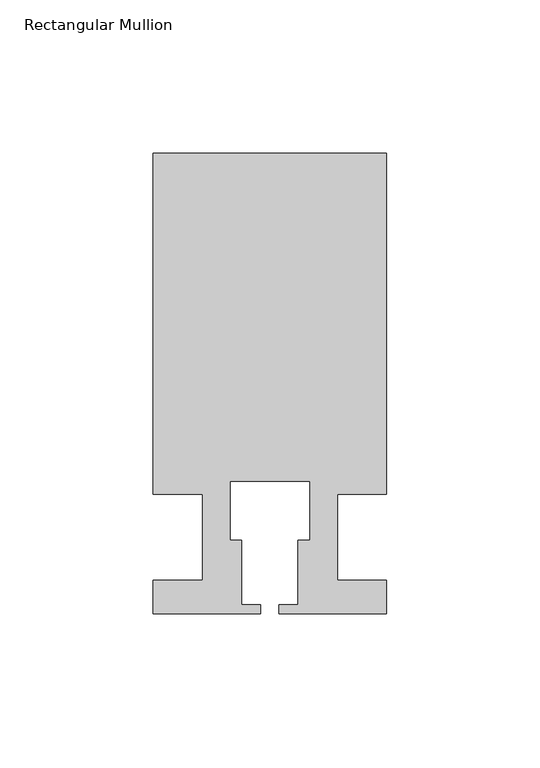
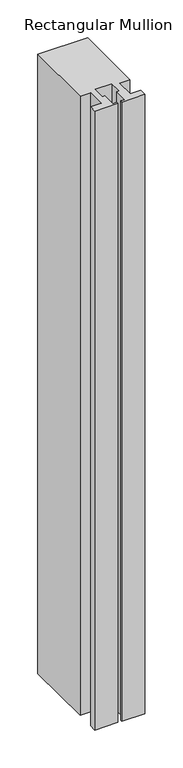
"""IFC4 building model written with IfcOpenShell, lengths in millimetres: member geometry, Rectangular Mullion."""

from ifc_helpers import new_model, si_unit, frame, origin, place, context, project, spatial, polyline, outline, extrude, source, transform, mapped, element, save


def rectangular_mullion_afc3f827(model_context):
    return source(origin(), model_context, "Body", "SweptSolid", [
        extrude(outline(polyline([(37.9999914, 124.9960123), (37.9999914, 13.9960123), (21.9999651, 13.9960123), (21.9999651, -14.0039877), (37.9999896, -14.0039877), (37.9999896, -25.0039877), (2.9999651, -25.0039877), (2.9999651, -22.0039877), (9.1999651, -22.0039877), (9.1999651, -1.0039877), (12.9999651, -1.0039877), (12.9999651, 18.1960075), (-12.9999633, 18.1960075), (-12.9999633, -1.0039877), (-9.1999633, -1.0039877), (-9.1999633, -22.0039877), (-2.9999896, -22.0039877), (-2.9999896, -25.0039877), (-37.9999896, -25.0039877), (-37.9999896, -14.0039877), (-21.9999633, -14.0039877), (-21.9999633, 13.9959029), (-37.9999896, 13.9959029), (-37.9999896, 124.9960123), (37.9999914, 124.9960123)])), frame((0.0, 0.0, -995.9865328), z_axis=(0.0, 0.0, 1.0), x_axis=(1.0, 0.0, 0.0)), (0.0, 0.0, 1.0), 995.9865328),
    ])


if __name__ == "__main__":
    model = new_model("IFC4")
    model_context = context("Model", 3, world=origin())
    ifc_project = project(units=[si_unit("LENGTHUNIT", "METRE", prefix="MILLI")], contexts=[model_context])
    site = spatial("IfcSite", under=ifc_project)
    building = spatial("IfcBuilding", under=site)
    placement = place(None, origin())
    rectangular_mullion_shape = rectangular_mullion_afc3f827(model_context)
    element("IfcMember", 1, ObjectType="Rectangular Mullion", at=placement, inside=building, context=model_context, shape_type="MappedRepresentation", body=[
        mapped(rectangular_mullion_shape, transform((0.0, 0.0, 0.0), x_axis=(1.0, 0.0, 0.0), y_axis=(0.0, 1.0, 0.0), z_axis=(0.0, 0.0, 1.0))),
    ])
    save(model, "model.ifc")
